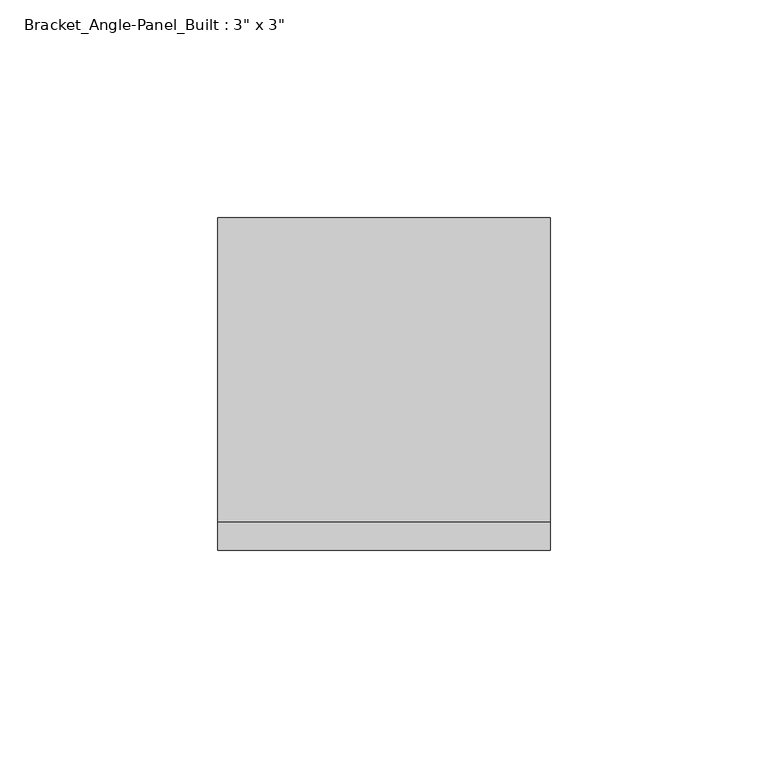
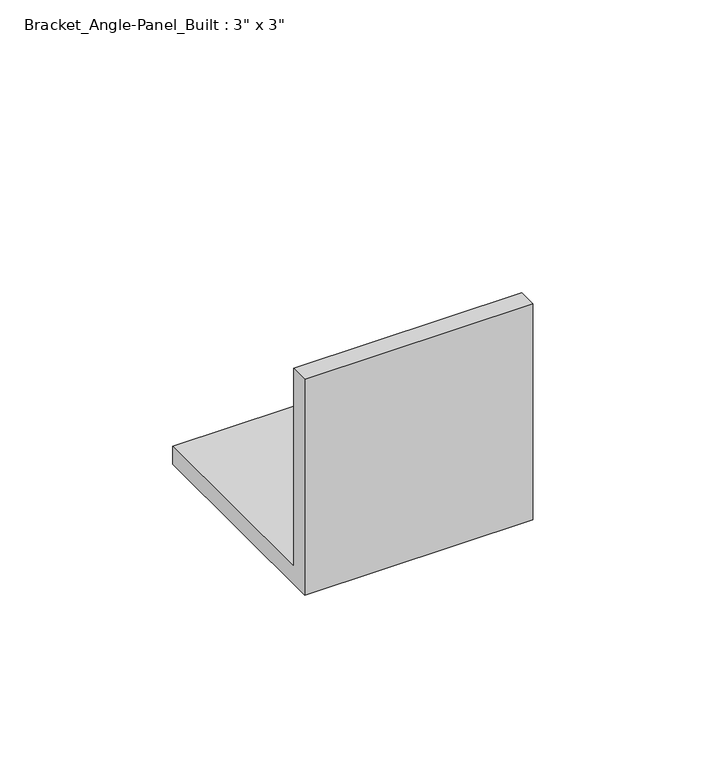
"""IFC4 building model written with IfcOpenShell, lengths in millimetres: fastener geometry."""

from ifc_helpers import new_model, si_unit, frame, origin, place, context, project, spatial, polyline, outline, extrude, source, transform, mapped, element, save


def fastener_60984efb(model_context):
    return source(origin(), model_context, "Body", "SweptSolid", [
        extrude(outline(polyline([(0.0, 76.2), (6.35, 76.2), (6.35, 6.35), (76.2, 6.35), (76.2, 0.0), (0.0, 0.0), (0.0, 76.2)])), frame((-38.1, 0.0, 0.0), z_axis=(1.0, 0.0, 0.0), x_axis=(0.0, 1.0, 0.0)), (0.0, 0.0, 1.0), 76.2),
    ])


if __name__ == "__main__":
    model = new_model("IFC4")
    model_context = context("Model", 3, world=origin())
    ifc_project = project(units=[si_unit("LENGTHUNIT", "METRE", prefix="MILLI")], contexts=[model_context])
    site = spatial("IfcSite", under=ifc_project)
    building = spatial("IfcBuilding", under=site)
    placement = place(None, origin())
    fastener_shape = fastener_60984efb(model_context)
    element("IfcFastener", 1, ObjectType="Bracket_Angle-Panel_Built : 3\" x 3\"", at=placement, inside=building, context=model_context, shape_type="MappedRepresentation", body=[
        mapped(fastener_shape, transform((0.0, 0.0, 0.0), x_axis=(1.0, 0.0, 0.0), y_axis=(0.0, 1.0, 0.0), z_axis=(0.0, 0.0, 1.0))),
    ])
    save(model, "model.ifc")
